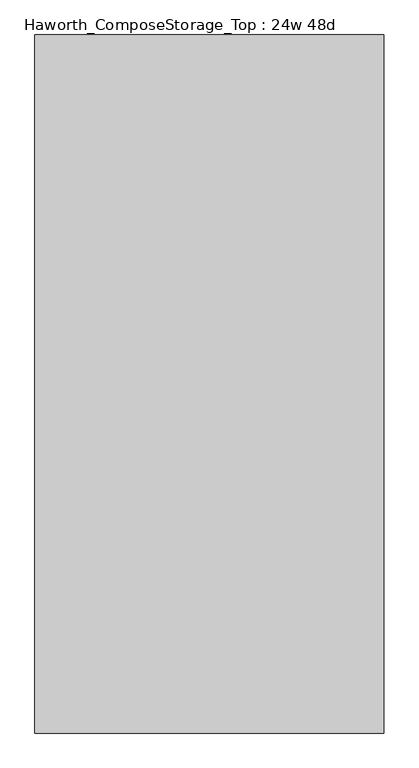
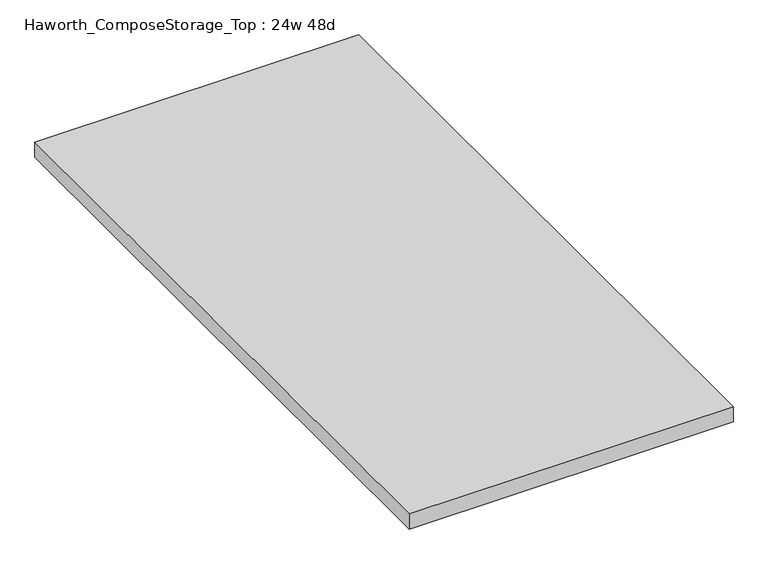
"""IFC4 building model written with IfcOpenShell, lengths in millimetres: furniture geometry, Haworth_ComposeStorage_Top : 24w 48d."""

from ifc_helpers import new_model, si_unit, frame, origin, place, context, project, spatial, polyline, outline, extrude, source, transform, mapped, element, save


def haworth_composestorage_top_24w_48d_42d4c718(model_context):
    return source(origin(), model_context, "Body", "SweptSolid", [
        extrude(outline(polyline([(304.8, 609.6), (304.8, -609.6), (-304.8, -609.6), (-304.8, 609.6), (304.8, 609.6)])), frame((0.0, 0.0, 706.4375), z_axis=(0.0, 0.0, 1.0), x_axis=(1.0, 0.0, 0.0)), (0.0, 0.0, 1.0), 30.1625),
    ])


if __name__ == "__main__":
    model = new_model("IFC4")
    model_context = context("Model", 3, world=origin())
    ifc_project = project(units=[si_unit("LENGTHUNIT", "METRE", prefix="MILLI")], contexts=[model_context])
    site = spatial("IfcSite", under=ifc_project)
    building = spatial("IfcBuilding", under=site)
    placement = place(None, origin())
    haworth_composestorage_top_24w_48d_shape = haworth_composestorage_top_24w_48d_42d4c718(model_context)
    element("IfcFurniture", 1, ObjectType="Haworth_ComposeStorage_Top : 24w 48d", at=placement, inside=building, context=model_context, shape_type="MappedRepresentation", body=[
        mapped(haworth_composestorage_top_24w_48d_shape, transform((0.0, 0.0, 0.0), x_axis=(1.0, 0.0, 0.0), y_axis=(0.0, 1.0, 0.0), z_axis=(0.0, 0.0, 1.0))),
    ])
    save(model, "model.ifc")
